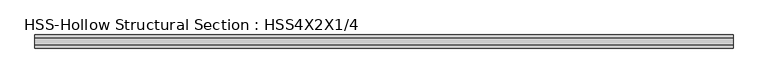
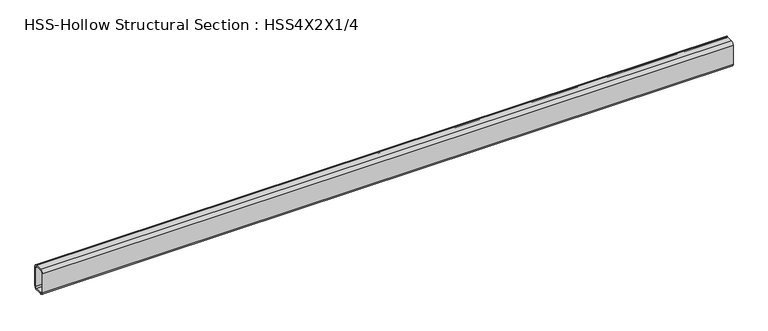
"""IFC4 building model written with IfcOpenShell, lengths in millimetres: beam geometry, HSS-Hollow Structural Section : HSS4X2X1/4."""

from ifc_helpers import new_model, si_unit, point, frame, frame_2d, origin, place, context, project, spatial, polyline, circle_curve, trimmed, segment, composite_curve, outline, extrude, source, transform, mapped, element, save


def hss_hollow_structural_section_hss4x2x1_4_b05ccbf7(model_context):
    return source(origin(), model_context, "Body", "SweptSolid", [
        extrude(outline(composite_curve([segment(polyline([(25.4, 38.9636), (25.4, -38.9636)]), True, "CONTINUOUS"), segment(trimmed(circle_curve(frame_2d((13.5636, -38.9636)), 11.8364), [point((25.4, -38.9636))], [point((13.5636, -50.8))], False, "CARTESIAN"), True, "CONTINUOUS"), segment(polyline([(13.5636, -50.8), (-13.5636, -50.8)]), True, "CONTINUOUS"), segment(trimmed(circle_curve(frame_2d((-13.5636, -38.9636)), 11.8364), [point((-13.5636, -50.8))], [point((-25.4, -38.9636))], False, "CARTESIAN"), True, "CONTINUOUS"), segment(polyline([(-25.4, -38.9636), (-25.4, 38.9636)]), True, "CONTINUOUS"), segment(trimmed(circle_curve(frame_2d((-13.5636, 38.9636)), 11.8364), [point((-25.4, 38.9636))], [point((-13.5636, 50.8))], False, "CARTESIAN"), True, "CONTINUOUS"), segment(polyline([(-13.5636, 50.8), (13.5636, 50.8)]), True, "CONTINUOUS"), segment(trimmed(circle_curve(frame_2d((13.5636, 38.9636)), 11.8364), [point((13.5636, 50.8))], [point((25.4, 38.9636))], False, "CARTESIAN"), True, "CONTINUOUS")], self_intersect=False), holes=[composite_curve([segment(trimmed(circle_curve(frame_2d((-13.5636, 38.9636)), 5.9182), [point((-13.5636, 44.8818))], [point((-19.4818, 38.9636))], True, "CARTESIAN"), True, "CONTINUOUS"), segment(polyline([(-19.4818, 38.9636), (-19.4818, -38.9636)]), True, "CONTINUOUS"), segment(trimmed(circle_curve(frame_2d((-13.5636, -38.9636)), 5.9182), [point((-19.4818, -38.9636))], [point((-13.5636, -44.8818))], True, "CARTESIAN"), True, "CONTINUOUS"), segment(polyline([(-13.5636, -44.8818), (13.5636, -44.8818)]), True, "CONTINUOUS"), segment(trimmed(circle_curve(frame_2d((13.5636, -38.9636)), 5.9182), [point((13.5636, -44.8818))], [point((19.4818, -38.9636))], True, "CARTESIAN"), True, "CONTINUOUS"), segment(polyline([(19.4818, -38.9636), (19.4818, 38.9636)]), True, "CONTINUOUS"), segment(trimmed(circle_curve(frame_2d((13.5636, 38.9636)), 5.9182), [point((19.4818, 38.9636))], [point((13.5636, 44.8818))], True, "CARTESIAN"), True, "CONTINUOUS"), segment(polyline([(13.5636, 44.8818), (-13.5636, 44.8818)]), True, "CONTINUOUS")], self_intersect=False)]), frame((-1351.153, 0.0, 0.0), z_axis=(1.0, 0.0, 0.0), x_axis=(0.0, 1.0, 0.0)), (0.0, 0.0, 1.0), 2702.306),
    ])


if __name__ == "__main__":
    model = new_model("IFC4")
    model_context = context("Model", 3, world=origin())
    ifc_project = project(units=[si_unit("LENGTHUNIT", "METRE", prefix="MILLI")], contexts=[model_context])
    site = spatial("IfcSite", under=ifc_project)
    building = spatial("IfcBuilding", under=site)
    placement = place(None, origin())
    hss_hollow_structural_section_hss4x2x1_4_shape = hss_hollow_structural_section_hss4x2x1_4_b05ccbf7(model_context)
    element("IfcBeam", 1, ObjectType="HSS-Hollow Structural Section : HSS4X2X1/4", at=placement, inside=building, context=model_context, shape_type="MappedRepresentation", body=[
        mapped(hss_hollow_structural_section_hss4x2x1_4_shape, transform((0.0, 0.0, 0.0), x_axis=(1.0, 0.0, 0.0), y_axis=(0.0, 1.0, 0.0), z_axis=(0.0, 0.0, 1.0))),
    ])
    save(model, "model.ifc")
